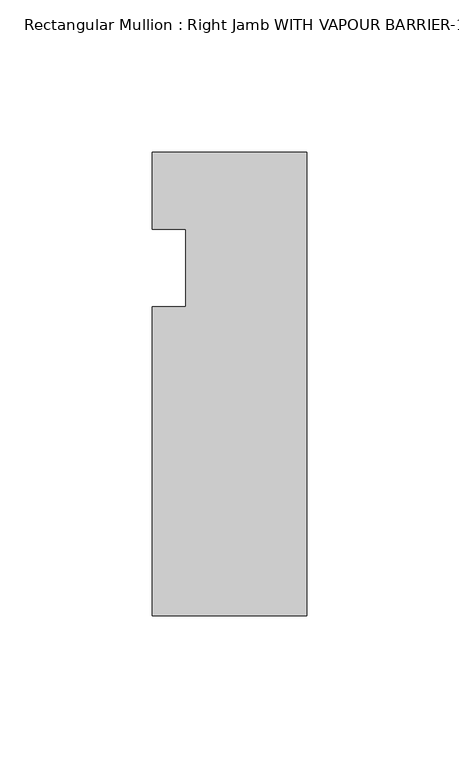
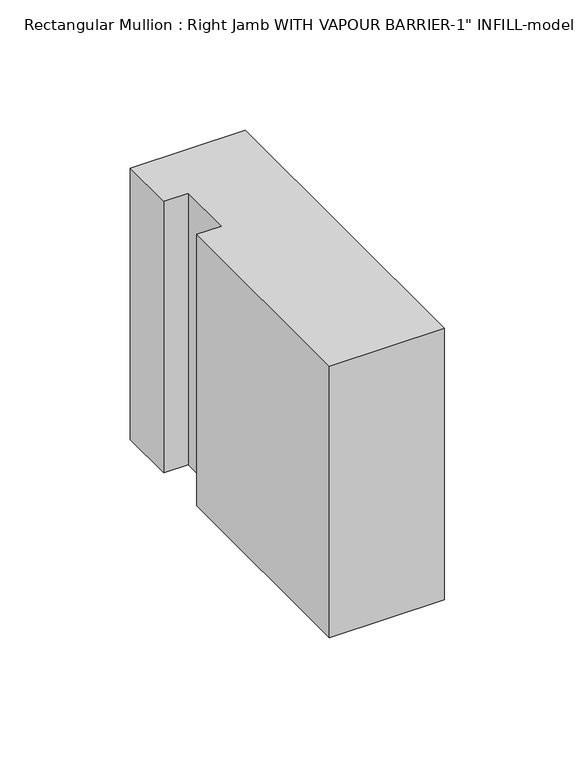
"""IFC4 building model written with IfcOpenShell, lengths in millimetres: member geometry."""

from ifc_helpers import new_model, si_unit, frame, origin, place, context, project, spatial, polyline, outline, extrude, source, transform, mapped, element, save


def member_8390190f(model_context):
    return source(origin(), model_context, "Body", "SweptSolid", [
        extrude(outline(polyline([(-50.8, -146.05), (-50.8, -44.45), (-39.8272, -44.45), (-39.8272, -19.05), (-50.8, -19.05), (-50.8, 6.35), (0.0, 6.35), (0.0, -146.05), (-50.8, -146.05)])), frame((0.0, 0.0, -127.0), z_axis=(0.0, 0.0, 1.0), x_axis=(1.0, 0.0, 0.0)), (0.0, 0.0, 1.0), 127.0),
    ])


if __name__ == "__main__":
    model = new_model("IFC4")
    model_context = context("Model", 3, world=origin())
    ifc_project = project(units=[si_unit("LENGTHUNIT", "METRE", prefix="MILLI")], contexts=[model_context])
    site = spatial("IfcSite", under=ifc_project)
    building = spatial("IfcBuilding", under=site)
    placement = place(None, origin())
    member_shape = member_8390190f(model_context)
    element("IfcMember", 1, ObjectType="Rectangular Mullion : Right Jamb WITH VAPOUR BARRIER-1\" INFILL-model", at=placement, inside=building, context=model_context, shape_type="MappedRepresentation", body=[
        mapped(member_shape, transform((0.0, 0.0, 0.0), x_axis=(1.0, 0.0, 0.0), y_axis=(0.0, 1.0, 0.0), z_axis=(0.0, 0.0, 1.0))),
    ])
    save(model, "model.ifc")
